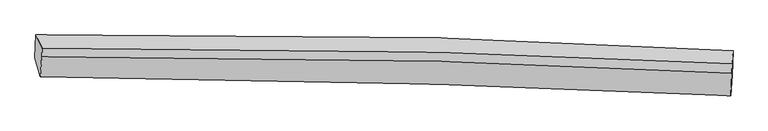
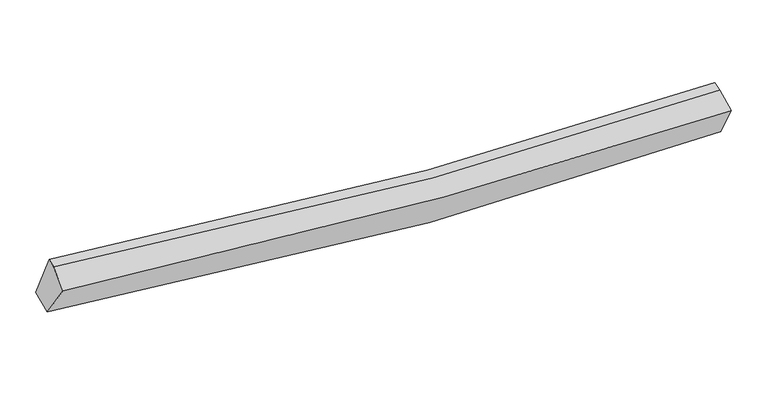
"""IFC4 building model written with IfcOpenShell, lengths in millimetres: proxy geometry."""

from ifc_helpers import new_model, si_unit, frame, origin, place, context, project, spatial, source, transform, mapped, element, save
from ifc_brep_helpers import plane_surface, spline_curve, spline_surface, advanced_brep


def generic_models_52ca4464(model_context):
    return source(origin(), model_context, "Body", "AdvancedBrep", [
        advanced_brep(
        [(-5352.7341756, -1984.8146445, 3042.9507619), (-5337.5651249, -1625.6629243, 3165.5334583), (5634.7686571, -1876.6814363, 2607.8109809), (5620.246432, -2257.1780066, 2520.3710444), (-5271.0521101, -2287.7328281, 3570.4528494), (5601.1726019, -2581.2164695, 3095.0320432), (-5241.963354, -1972.6181881, 3783.3784001), (5613.9549379, -2231.3335085, 3230.7509462), (-5236.7640437, -1833.4185183, 3826.3486785), (5619.5109176, -2082.5848258, 3276.6689596)],
        [
            (0, 1),
            (1, 2, spline_curve(3, [(-5337.5651249, -1625.6629243, 3165.5334583), (-3244.498555668, -1596.770250712, 2814.66387599), (-1147.431818176, -1612.052717708, 2603.966178136), (2511.812894834, -1715.60484018, 2481.137529177), (4072.190750728, -1783.995209964, 2505.927734546), (5634.7686571, -1876.6814363, 2607.8109809)], [4, 2, 4], [0.0, 20.748081839041884, 36.13512188274789])),
            (2, 3),
            (3, 0, spline_curve(3, [(5620.246432, -2257.1780066, 2520.3710444), (4058.579666126, -2149.466173071, 2410.444272615), (2498.685874367, -2071.15829377, 2378.91157758), (-1160.425006197, -1956.31168847, 2488.961442989), (-3258.191417, -1943.831780759, 2694.687377963), (-5352.7341756, -1984.8146445, 3042.9507619)], [4, 2, 4], [0.0, 15.387040043706005, 36.13512188274789])),
            (4, 0),
            (3, 5),
            (5, 4, spline_curve(3, [(5601.1726019, -2581.2164695, 3095.0320432), (4054.857104629, -2506.670807694, 3042.854219594), (2509.867473642, -2446.129770848, 3041.629522966), (-1115.29227682, -2336.843066265, 3158.412406046), (-3194.377550636, -2299.556222673, 3318.110704352), (-5271.0521101, -2287.7328281, 3570.4528494)], [4, 2, 4], [0.0, 15.304482026116393, 35.94124157701495])),
            (6, 4),
            (5, 7),
            (7, 6, spline_curve(3, [(5613.9549379, -2231.3335085, 3230.7509462), (4066.41645076, -2149.720183947, 3159.346944848), (2521.710175115, -2087.222456757, 3151.749380267), (-1099.246619476, -1985.343307691, 3283.751014213), (-3173.179775273, -1961.602595071, 3475.557730545), (-5241.963354, -1972.6181881, 3783.3784001)], [4, 2, 4], [0.0, 15.217995771668832, 35.7381361495404])),
            (8, 6),
            (7, 9),
            (9, 8, spline_curve(3, [(5619.5109176, -2082.5848258, 3276.6689596), (4072.009975013, -1999.966330053, 3205.575250078), (2527.303699827, -1937.468602927, 3197.977684849), (-1093.741265716, -1837.950010849, 3329.250627009), (-3167.793310718, -1817.392301589, 3520.074764731), (-5236.7640437, -1833.4185183, 3826.3486785)], [4, 2, 4], [0.0, 15.213194232497106, 35.72686015346173])),
            (1, 8),
            (9, 2),
        ],
        [
            spline_surface(3, 3, [[(-5352.7341756, -1984.8146445, 3042.9507619), (-3258.191417051, -1943.831780681, 2694.687378021), (-1160.425006126, -1956.311688587, 2488.96144332), (2498.685874314, -2071.158293684, 2378.911577334), (4058.579665968, -2149.466173189, 2410.444272809), (5620.246432, -2257.1780066, 2520.3710444)], [(-5347.677825372, -1865.097404434, 3083.811660727), (-3253.627130034, -1828.144604077, 2734.679543946), (-1156.093943398, -1841.558698411, 2527.296354864), (2503.061547813, -1952.640475799, 2412.98689469), (4063.116694251, -2027.642518866, 2442.272093438), (5625.087173711, -2130.345816508, 2549.517689903)], [(-5342.621475128, -1745.380164366, 3124.672559473), (-3249.062843003, -1712.457427469, 2774.671709789), (-1151.762880757, -1726.805708172, 2565.631266358), (2507.437221226, -1834.122657851, 2447.062211995), (4067.653722499, -1905.818864518, 2474.099914059), (5629.927915389, -2003.513626392, 2578.664335397)], [(-5337.5651249, -1625.6629243, 3165.5334583), (-3244.498555987, -1596.770250865, 2814.663875714), (-1147.43181803, -1612.052717996, 2603.966177901), (2511.812894726, -1715.604839966, 2481.137529351), (4072.190750782, -1783.995210196, 2505.927734687), (5634.7686571, -1876.6814363, 2607.8109809)]], [4, 4], [4, 2, 4], [0.0, 1.2007437260708969], [0.0, 20.748081839041884, 36.13512188274789]),
            spline_surface(3, 3, [[(-5271.0521101, -2287.7328281, 3570.4528494), (-3194.377550419, -2299.556222666, 3318.110704395), (-1115.292277066, -2336.843066408, 3158.412405748), (2509.867473825, -2446.129770742, 3041.629523188), (4054.857104463, -2506.670807465, 3042.854219705), (5601.1726019, -2581.2164695, 3095.0320432)], [(-5298.279465257, -2186.760100246, 3394.618820233), (-3215.648839287, -2180.981408684, 3110.302928936), (-1130.336520112, -2209.999273783, 2935.262084932), (2506.140273962, -2321.139278371, 2820.723541229), (4056.09795828, -2387.602596031, 2832.050904071), (5607.530545249, -2473.203648524, 2903.478376931)], [(-5325.506820443, -2085.787372354, 3218.784791067), (-3236.920128183, -2062.406594663, 2902.49515348), (-1145.38076308, -2083.155481212, 2712.111764137), (2502.413074177, -2196.148786055, 2599.817559292), (4057.338812151, -2268.534384623, 2621.247588444), (5613.888488651, -2365.190827576, 2711.924710669)], [(-5352.7341756, -1984.8146445, 3042.9507619), (-3258.191417051, -1943.831780681, 2694.687378021), (-1160.425006126, -1956.311688587, 2488.96144332), (2498.685874314, -2071.158293684, 2378.911577334), (4058.579665968, -2149.466173189, 2410.444272809), (5620.246432, -2257.1780066, 2520.3710444)]], [4, 4], [4, 2, 4], [0.0, 2.5094305231725897], [0.0, 20.636759550898557, 35.94124157701495]),
            spline_surface(3, 3, [[(-5241.963354, -1972.6181881, 3783.3784001), (-3173.179775072, -1961.602594871, 3475.557730421), (-1099.24661969, -1985.343307853, 3283.751014361), (2521.710175274, -2087.222456636, 3151.749380157), (4066.416450555, -2149.720183828, 3159.346944948), (5613.9549379, -2231.3335085, 3230.7509462)], [(-5251.659606042, -2077.656401421, 3712.403216519), (-3180.245700196, -2074.253804123, 3423.075388398), (-1104.595172143, -2102.509894045, 3241.971478152), (2517.76260813, -2206.858228012, 3115.042761162), (4062.563335201, -2268.703725048, 3120.516036566), (5609.694159244, -2347.961162175, 3185.511311899)], [(-5261.355858058, -2182.694614779, 3641.428032981), (-3187.311625295, -2186.905013414, 3370.593046418), (-1109.943724613, -2219.676480216, 3200.191941957), (2513.815040968, -2326.493999367, 3078.336142182), (4058.710219816, -2387.687266245, 3081.685128088), (5605.433380556, -2464.588815825, 3140.271677501)], [(-5271.0521101, -2287.7328281, 3570.4528494), (-3194.377550419, -2299.556222666, 3318.110704395), (-1115.292277066, -2336.843066408, 3158.412405748), (2509.867473825, -2446.129770742, 3041.629523188), (4054.857104463, -2506.670807465, 3042.854219705), (5601.1726019, -2581.2164695, 3095.0320432)]], [4, 4], [4, 2, 4], [0.0, 1.227385084952893], [0.0, 20.52014037787157, 35.7381361495404]),
            spline_surface(3, 3, [[(-5236.7640437, -1833.4185183, 3826.3486785), (-3167.793310705, -1817.392301874, 3520.074764457), (-1093.741265504, -1837.950010582, 3329.250626733), (2527.30369967, -1937.468603125, 3197.977685054), (4072.009974851, -1999.966330217, 3205.575249845), (5619.5109176, -2082.5848258, 3276.6689596)], [(-5238.497147104, -1879.818408252, 3812.025252359), (-3169.588798798, -1865.462399558, 3505.235753104), (-1095.576383544, -1887.081109687, 3314.08408927), (2525.43919156, -1987.38655431, 3182.568250082), (4070.145466741, -2049.884281402, 3190.165814874), (5617.658924355, -2132.167720015, 3261.362955128)], [(-5240.230250596, -1926.218298148, 3797.701826241), (-3171.384286979, -1913.532497187, 3490.396741773), (-1097.41150165, -1936.212208748, 3298.917551824), (2523.574683384, -2037.304505451, 3167.158815128), (4068.280958665, -2099.802232643, 3174.75637992), (5615.806931145, -2181.750614285, 3246.056950672)], [(-5241.963354, -1972.6181881, 3783.3784001), (-3173.179775072, -1961.602594871, 3475.557730421), (-1099.24661969, -1985.343307853, 3283.751014361), (2521.710175274, -2087.222456636, 3151.749380157), (4066.416450555, -2149.720183828, 3159.346944948), (5613.9549379, -2231.3335085, 3230.7509462)]], [4, 4], [4, 2, 4], [0.0, 0.5089498599114727], [0.0, 20.513665920964623, 35.72686015346173]),
            spline_surface(3, 3, [[(-5337.5651249, -1625.6629243, 3165.5334583), (-3244.498555987, -1596.770250865, 2814.663875714), (-1147.43181803, -1612.052717996, 2603.966177901), (2511.812894726, -1715.604839966, 2481.137529351), (4072.190750782, -1783.995210196, 2505.927734687), (5634.7686571, -1876.6814363, 2607.8109809)], [(-5303.964764526, -1694.914788947, 3385.805198362), (-3218.930140919, -1670.310934515, 3049.800838624), (-1129.534967219, -1687.351815501, 2845.727660846), (2516.976496343, -1789.559427661, 2720.08424792), (4072.130492145, -1855.985583548, 2739.143573047), (5629.68274394, -1945.315899478, 2830.76364044)], [(-5270.364404074, -1764.166653653, 3606.076938438), (-3193.361725773, -1743.851618224, 3284.937801547), (-1111.638116315, -1762.650913078, 3087.489143788), (2522.140098053, -1863.51401543, 2959.030966485), (4072.070233487, -1927.975956865, 2972.359411486), (5624.59683076, -2013.950362622, 3053.71630006)], [(-5236.7640437, -1833.4185183, 3826.3486785), (-3167.793310705, -1817.392301874, 3520.074764457), (-1093.741265504, -1837.950010582, 3329.250626733), (2527.30369967, -1937.468603125, 3197.977685054), (4072.009974851, -1999.966330217, 3205.575249845), (5619.5109176, -2082.5848258, 3276.6689596)]], [4, 4], [4, 2, 4], [0.0, 2.4808827032054843], [0.0, 20.630092921012633, 35.92963089004427]),
            plane_surface(frame((5617.9307093, -2205.7988493, 2946.1267949), z_axis=(0.9991260027185713, -0.04050528973517619, 0.010322412270366845), x_axis=(-0.034040739441893064, -0.931776065132278, -0.36143407767511115))),
            plane_surface(frame((-5288.0157616, -1940.8494207, 3477.7328296), z_axis=(-0.9889344890909371, -0.008777460813245562, 0.14809298588427297), x_axis=(-0.039939777985244285, -0.9456386075254299, -0.3227575531135643))),
        ],
        [
            (0, [[1, 2, 3, 4]]),
            (1, [[5, -4, 6, 7]]),
            (2, [[8, -7, 9, 10]]),
            (3, [[11, -10, 12, 13]]),
            (4, [[14, -13, 15, -2]]),
            (5, [[-9, -6, -3, -15, -12]]),
            (6, [[-1, -5, -8, -11, -14]]),
        ],
    ),
    ])


if __name__ == "__main__":
    model = new_model("IFC4")
    model_context = context("Model", 3, world=origin())
    ifc_project = project(units=[si_unit("LENGTHUNIT", "METRE", prefix="MILLI")], contexts=[model_context])
    site = spatial("IfcSite", under=ifc_project)
    building = spatial("IfcBuilding", under=site)
    placement = place(None, origin())
    generic_models_shape = generic_models_52ca4464(model_context)
    element("IfcBuildingElementProxy", 1, Name="Generic Models", at=placement, inside=building, context=model_context, shape_type="MappedRepresentation", body=[
        mapped(generic_models_shape, transform((0.0, 0.0, 0.0), x_axis=(1.0, 0.0, 0.0), y_axis=(0.0, 1.0, 0.0), z_axis=(0.0, 0.0, 1.0))),
    ])
    save(model, "model.ifc")
